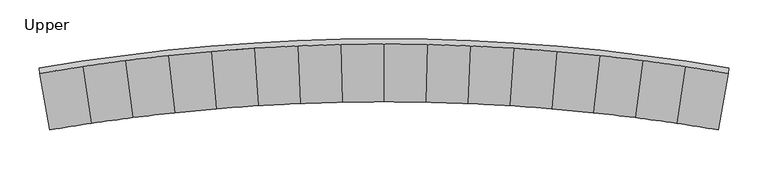
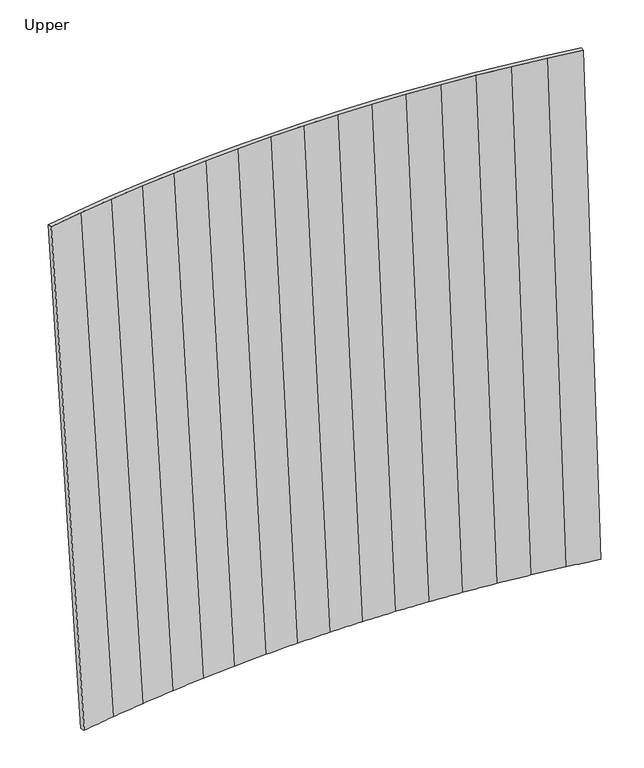
"""IFC4 building model written with IfcOpenShell, lengths in millimetres: furniture geometry, Upper."""

import ifcopenshell
import ifcopenshell.guid

model = None  # the IFC model being written
_history = None  # IfcOwnerHistory: only IFC2X3 demands one
_inside = {}  # id of a spatial element -> (the spatial element, [elements in it])
_under = {}  # id of a project, library or spatial element -> (it, [spatial elements below it])
_declared = {}  # id of a project -> (the project, [libraries it declares])
_typed = {}  # id of a type object -> (the type object, [elements of that type])
_made_of = {}  # id of a material, layer set ... -> (it, [elements and type objects made of it])


def new_model(schema):
    """Start an empty IFC model of exactly this schema.

    Asked for "IFC4X3", IfcOpenShell would pick the latest addendum, in which some entities
    have other attributes; the version numbers below select the first issue.
    IFC2X3 requires an IfcOwnerHistory on every rooted entity: one is made here for all.
    """
    global model, _history
    if schema == "IFC4X3":
        model = ifcopenshell.file(schema_version=(4, 3, 0, 0))
    else:
        model = ifcopenshell.file(schema=schema)
    _inside.clear()
    _under.clear()
    _declared.clear()
    _typed.clear()
    _made_of.clear()
    _history = None
    if model.schema == "IFC2X3":
        org = make("IfcOrganization", Name="unknown")
        user = make(
            "IfcPersonAndOrganization",
            ThePerson=make("IfcPerson", FamilyName="unknown"),
            TheOrganization=org,
        )
        app = make(
            "IfcApplication",
            ApplicationDeveloper=org,
            Version="unknown",
            ApplicationFullName="unknown",
            ApplicationIdentifier="unknown",
        )
        _history = make(
            "IfcOwnerHistory",
            OwningUser=user,
            OwningApplication=app,
            ChangeAction="ADDED",
            CreationDate=0,
        )
    return model


def make(cls, **values):
    """One entity of the class cls with the attributes given. An attribute that is None is left unset."""
    return model.create_entity(
        cls, **{name: value for name, value in values.items() if value is not None}
    )


def rooted(cls, **values):
    """An entity with a GlobalId (a new one), such as an element, a storey or a relation."""
    return make(cls, GlobalId=ifcopenshell.guid.new(), OwnerHistory=_history, **values)


def si_unit(unit_type, name, prefix=None):
    """IfcSIUnit, for example si_unit("LENGTHUNIT", "METRE", prefix="MILLI")."""
    return make("IfcSIUnit", UnitType=unit_type, Prefix=prefix, Name=name)


def assignment(units):
    """IfcUnitAssignment: the units of a project."""
    return None if units is None else make("IfcUnitAssignment", Units=units)


def point(xyz):
    """IfcCartesianPoint."""
    return None if xyz is None else make("IfcCartesianPoint", Coordinates=xyz)


def direction(xyz):
    """IfcDirection."""
    return None if xyz is None else make("IfcDirection", DirectionRatios=xyz)


def frame(location, z_axis=None, x_axis=None):
    """IfcAxis2Placement3D, a coordinate frame: its origin and axes. An axis left out is left unset."""
    return make(
        "IfcAxis2Placement3D",
        Location=point(location),
        Axis=direction(z_axis),
        RefDirection=direction(x_axis),
    )


def origin():
    """The frame at (0, 0, 0) with its axes left unset."""
    return frame((0.0, 0.0, 0.0))


def place(relative_to, where):
    """IfcLocalPlacement: puts the frame where relative to a parent placement (None: the world)."""
    return make(
        "IfcLocalPlacement", PlacementRelTo=relative_to, RelativePlacement=where
    )


def context(
    kind, dimensions, precision=None, world=None, true_north=None, identifier=None
):
    """IfcGeometricRepresentationContext, for example the 3D "Model" context."""
    return make(
        "IfcGeometricRepresentationContext",
        ContextIdentifier=identifier,
        ContextType=kind,
        CoordinateSpaceDimension=dimensions,
        Precision=precision,
        WorldCoordinateSystem=world,
        TrueNorth=true_north,
    )


def project(units=None, contexts=None):
    """IfcProject with its units and contexts."""
    return rooted(
        "IfcProject",
        Name="project",
        RepresentationContexts=contexts,
        UnitsInContext=assignment(units),
    )


def spatial(cls, under=None, at=None, **own):
    """A site, building, storey or space (cls), placed at a placement, below another one or the project."""
    s = rooted(cls, ObjectPlacement=at, **own)
    if under is not None:
        _under.setdefault(under.id(), (under, []))[1].append(s)
    return s


def shape(context_of_items, identifier, shape_type, items):
    """IfcShapeRepresentation: the items that make up one representation, for example the "Body"."""
    return make(
        "IfcShapeRepresentation",
        ContextOfItems=context_of_items,
        RepresentationIdentifier=identifier,
        RepresentationType=shape_type,
        Items=items,
    )


def source(mapping_origin, context_of_items, identifier, shape_type, items):
    """IfcRepresentationMap: a shape defined once, which mapped items show again and again."""
    return make(
        "IfcRepresentationMap",
        MappingOrigin=mapping_origin,
        MappedRepresentation=shape(context_of_items, identifier, shape_type, items),
    )


def transform(
    local_origin,
    x_axis=None,
    y_axis=None,
    z_axis=None,
    scale=None,
    scale2=None,
    scale3=None,
    uniform=True,
):
    """IfcCartesianTransformationOperator3D, or its non-uniform kind. x_axis, y_axis, z_axis: its Axis1, 2, 3."""
    if uniform:
        return make(
            "IfcCartesianTransformationOperator3D",
            Axis1=direction(x_axis),
            Axis2=direction(y_axis),
            LocalOrigin=point(local_origin),
            Scale=scale,
            Axis3=direction(z_axis),
        )
    return make(
        "IfcCartesianTransformationOperator3DnonUniform",
        Axis1=direction(x_axis),
        Axis2=direction(y_axis),
        LocalOrigin=point(local_origin),
        Scale=scale,
        Axis3=direction(z_axis),
        Scale2=scale2,
        Scale3=scale3,
    )


def mapped(mapping_source, mapping_target):
    """IfcMappedItem: shows the shape of a source again, moved by a transform."""
    return make(
        "IfcMappedItem", MappingSource=mapping_source, MappingTarget=mapping_target
    )


def made_of(thing, what):
    """Note that an element or type object is made of a material, layer set ...; save() writes the relation."""
    if what is not None:
        _made_of.setdefault(what.id(), (what, []))[1].append(thing)
    return thing


def element(
    cls,
    number,
    at=None,
    inside=None,
    cuts=None,
    type_object=None,
    material=None,
    context=None,
    identifier="Body",
    shape_type=None,
    held_by="IfcProductDefinitionShape",
    body=None,
    shapes=None,
    **own,
):
    """One element of the class cls, such as IfcWall. Its Tag is "e" and its number.

    at: its placement. inside: the storey or other place that contains it. cuts: it is an
    opening in that element (IfcRelVoidsElement). A single representation is given by context,
    identifier, shape_type and body (its items); several are given by shapes. held_by: the class
    of the entity that holds the representations. save() writes the other relations.
    """
    e = rooted(cls, Tag="e%d" % number, ObjectPlacement=at, **own)
    if body is not None:
        shapes = [shape(context, identifier, shape_type, body)]
    if shapes is not None:
        e.Representation = make(held_by, Representations=shapes)
    if inside is not None:
        _inside.setdefault(inside.id(), (inside, []))[1].append(e)
    if cuts is not None:
        rooted(
            "IfcRelVoidsElement", RelatingBuildingElement=cuts, RelatedOpeningElement=e
        )
    if type_object is not None:
        _typed.setdefault(type_object.id(), (type_object, []))[1].append(e)
    return made_of(e, material)


def aggregate(whole, parts):
    """IfcRelAggregates: a whole, such as a stair, and the parts it consists of."""
    return rooted("IfcRelAggregates", RelatingObject=whole, RelatedObjects=parts)


def save(model, path):
    """Write the relations noted so far, then the file.

    IfcRelAggregates (storeys below a building ...), IfcRelContainedInSpatialStructure (elements
    in a storey), IfcRelDefinesByType, IfcRelAssociatesMaterial and IfcRelDeclares: one each for
    every whole, place, type object, material and project.
    """
    for whole, parts in _under.values():
        aggregate(whole, parts)
    for where, things in _inside.values():
        rooted(
            "IfcRelContainedInSpatialStructure",
            RelatedElements=things,
            RelatingStructure=where,
        )
    for kind, things in _typed.values():
        rooted("IfcRelDefinesByType", RelatedObjects=things, RelatingType=kind)
    for what, things in _made_of.values():
        rooted("IfcRelAssociatesMaterial", RelatedObjects=things, RelatingMaterial=what)
    for by, libraries in _declared.values():
        rooted("IfcRelDeclares", RelatingContext=by, RelatedDefinitions=libraries)
    model.write(path)


def plane_surface(at):
    """IfcPlane: the flat surface through the origin of the frame at, square to its z axis."""
    return make("IfcPlane", Position=at)


def spline_surface(u_degree, v_degree, points, u_multiplicities, v_multiplicities, u_knots, v_knots, weights=None):
    """IfcBSplineSurfaceWithKnots; with weights, IfcRationalBSplineSurfaceWithKnots. points: one row for each step in u."""
    own = dict(
        UDegree=u_degree,
        VDegree=v_degree,
        ControlPointsList=[[point(p) for p in row] for row in points],
        SurfaceForm="UNSPECIFIED",
        UClosed=False,
        VClosed=False,
        SelfIntersect=False,
        UMultiplicities=u_multiplicities,
        VMultiplicities=v_multiplicities,
        UKnots=u_knots,
        VKnots=v_knots,
        KnotSpec="UNSPECIFIED",
    )
    if weights is None:
        return make("IfcBSplineSurfaceWithKnots", **own)
    return make("IfcRationalBSplineSurfaceWithKnots", WeightsData=weights, **own)


def advanced_brep(points, edges, surfaces, faces):
    """IfcAdvancedBrep: a solid bounded by faces that lie on surfaces and meet in shared edges.

    An edge is (start, end): straight between two places in points (the first is 0);
    or (start, end, curve); or (start, end, curve, False) where it runs against its curve.
    A face is (place in surfaces, loops), or (place, loops, False) where it looks against
    its surface's normal. A loop lists edges by number (the first is 1), with a minus sign
    where the edge is run from its end to its start. The first loop is the outer one.
    """
    corners = [point(p) for p in points]
    vertices = [make("IfcVertexPoint", VertexGeometry=c) for c in corners]
    made = []
    for start, end, *more in edges:
        made.append(
            make(
                "IfcEdgeCurve",
                EdgeStart=vertices[start],
                EdgeEnd=vertices[end],
                EdgeGeometry=more[0] if more else make("IfcPolyline", Points=[corners[start], corners[end]]),
                SameSense=more[1] if len(more) > 1 else True,
            )
        )
    hull = []
    for where, loops, *sense in faces:
        bounds = []
        for j, loop in enumerate(loops):
            ring = [make("IfcOrientedEdge", EdgeElement=made[abs(k) - 1], Orientation=k > 0) for k in loop]
            bounds.append(
                make(
                    "IfcFaceOuterBound" if j == 0 else "IfcFaceBound",
                    Bound=make("IfcEdgeLoop", EdgeList=ring),
                    Orientation=True,
                )
            )
        hull.append(make("IfcAdvancedFace", Bounds=bounds, FaceSurface=surfaces[where], SameSense=sense[0] if sense else True))
    return make("IfcAdvancedBrep", Outer=make("IfcClosedShell", CfsFaces=hull))


def upper_cea90c4b(model_context):
    return source(origin(), model_context, "Body", "AdvancedBrep", [
        advanced_brep(
        [(-6.1433353, 107.7637347, 1754.9368), (48.5587139, 116.539707, 1754.9368), (103.434584, 124.1535592, 1754.9368), (158.4595865, 130.6018483, 1754.9368), (213.6089819, 135.8816859, 1754.9368), (268.8579533, 139.990683, 1754.9368), (324.1816295, 142.9270135, 1754.9368), (379.5551391, 144.6893333, 1754.9368), (434.9535745, 145.276861, 1754.9368), (490.3520099, 144.6893333, 1754.9368), (545.7255195, 142.9270045, 1754.9368), (601.0492138, 139.990683, 1754.9368), (656.298167, 135.8816769, 1754.9368), (711.4475624, 130.6018393, 1754.9368), (766.4726194, 124.1535501, 1754.9368), (821.348485, 116.539698, 1754.9368), (876.0505239, 107.7637166, 1754.9368), (877.1914427, 114.4226942, 1754.9368), (822.3478426, 123.2213668, 1754.9368), (767.3300526, 130.8549125, 1754.9368), (712.1627077, 137.3198794, 1754.9368), (656.8707338, 142.6133699, 1754.9368), (601.4788387, 146.733004, 1754.9368), (546.0120572, 149.6769195, 1754.9368), (490.4953151, 151.4437993, 1754.9368), (434.9536108, 152.0328531, 1754.9368), (379.4118702, 151.4437993, 1754.9368), (323.8951281, 149.6769195, 1754.9368), (268.4283647, 146.733004, 1754.9368), (213.0364878, 142.6133699, 1754.9368), (157.7444594, 137.3198794, 1754.9368), (102.5771327, 130.8549125, 1754.9368), (47.5593245, 123.2213759, 1754.9368), (-7.2842114, 114.4226942, 1754.9368), (6.6588368, 35.1527008, 911.6068079), (5.4857552, 41.8061555, 911.6068079), (58.7462779, 50.3443426, 911.6068079), (112.1757837, 57.75188, 911.6068079), (165.7502752, 64.0254343, 911.6068079), (219.4456896, 69.1621892, 911.6068079), (273.2379185, 73.1598376, 911.6068079), (327.1027811, 76.0165855, 911.6068079), (381.0160601, 77.7311475, 911.6068079), (434.9536108, 78.3027514, 911.6068079), (488.8911252, 77.7311475, 911.6068079), (542.8044405, 76.01659, 911.6068079), (596.6692849, 73.1598422, 911.6068079), (650.461532, 69.1621938, 911.6068079), (704.1569464, 64.0254388, 911.6068079), (757.7314379, 57.7518846, 911.6068079), (811.1609528, 50.3443516, 911.6068079), (864.4214759, 41.8061584, 911.6068079), (863.2483984, 35.1527053, 911.6068079), (810.1332539, 43.6669113, 911.6068079), (756.8496603, 51.0536379, 911.6068079), (703.4215261, 57.3095651, 911.6068079), (649.8727598, 62.4318905, 911.6068079), (596.2274878, 66.4183069, 911.6068079), (542.5097637, 69.2670247, 911.6068079), (488.7437868, 70.9767723, 911.6068079), (434.9536108, 71.5467684, 911.6068079), (381.1634348, 70.9767678, 911.6068079), (327.3974579, 69.2670247, 911.6068079), (273.6797338, 66.4183024, 911.6068079), (220.03448, 62.431886, 911.6068079), (166.4857318, 57.3095606, 911.6068079), (113.0575522, 51.0536334, 911.6068079), (59.773945, 43.6669068, 911.6068079)],
        [
            (0, 1),
            (1, 2),
            (2, 3),
            (3, 4),
            (4, 5),
            (5, 6),
            (6, 7),
            (7, 8),
            (8, 9),
            (9, 10),
            (10, 11),
            (11, 12),
            (12, 13),
            (13, 14),
            (14, 15),
            (15, 16),
            (16, 17),
            (17, 18),
            (18, 19),
            (19, 20),
            (20, 21),
            (21, 22),
            (22, 23),
            (23, 24),
            (24, 25),
            (25, 26),
            (26, 27),
            (27, 28),
            (28, 29),
            (29, 30),
            (30, 31),
            (31, 32),
            (32, 33),
            (33, 0),
            (34, 35),
            (35, 36),
            (36, 37),
            (37, 38),
            (38, 39),
            (39, 40),
            (40, 41),
            (41, 42),
            (42, 43),
            (43, 44),
            (44, 45),
            (45, 46),
            (46, 47),
            (47, 48),
            (48, 49),
            (49, 50),
            (50, 51),
            (51, 52),
            (52, 53),
            (53, 54),
            (54, 55),
            (55, 56),
            (56, 57),
            (57, 58),
            (58, 59),
            (59, 60),
            (60, 61),
            (61, 62),
            (62, 63),
            (63, 64),
            (64, 65),
            (65, 66),
            (66, 67),
            (67, 34),
            (67, 1),
            (0, 34),
            (66, 2),
            (65, 3),
            (64, 4),
            (63, 5),
            (62, 6),
            (61, 7),
            (60, 8),
            (59, 9),
            (58, 10),
            (57, 11),
            (56, 12),
            (55, 13),
            (54, 14),
            (53, 15),
            (52, 16),
            (51, 17),
            (50, 18),
            (49, 19),
            (48, 20),
            (47, 21),
            (46, 22),
            (45, 23),
            (44, 24),
            (43, 25),
            (42, 26),
            (41, 27),
            (40, 28),
            (39, 29),
            (38, 30),
            (37, 31),
            (36, 32),
            (35, 33),
        ],
        [
            plane_surface(frame((434.9535907, 134.5581377, 1754.9368), z_axis=(0.0, 0.0, 1.0), x_axis=(0.16886894724519871, -0.9856385131762548, 0.0))),
            plane_surface(frame((434.9536108, 61.2470087, 911.6068079), z_axis=(0.0, 0.0, -1.0), x_axis=(0.16886894724519871, -0.9856385131762548, 0.0))),
            spline_surface(1, 1, [[(6.6588368, 35.1527008, 911.6068079), (-6.1433353, 107.7637347, 1754.9368)], [(59.773945, 43.6669068, 911.6068079), (48.5587139, 116.539707, 1754.9368)]], [2, 2], [2, 2], [0.0, 1.0], [0.0, 1.0]),
            spline_surface(1, 1, [[(59.773945, 43.6669068, 911.6068079), (48.5587139, 116.539707, 1754.9368)], [(113.0575522, 51.0536334, 911.6068079), (103.434584, 124.1535592, 1754.9368)]], [2, 2], [2, 2], [0.0, 1.0], [0.0, 1.0]),
            spline_surface(1, 1, [[(113.0575522, 51.0536334, 911.6068079), (103.434584, 124.1535592, 1754.9368)], [(166.4857318, 57.3095606, 911.6068079), (158.4595865, 130.6018483, 1754.9368)]], [2, 2], [2, 2], [0.0, 1.0], [0.0, 1.0]),
            spline_surface(1, 1, [[(166.4857318, 57.3095606, 911.6068079), (158.4595865, 130.6018483, 1754.9368)], [(220.03448, 62.431886, 911.6068079), (213.6089819, 135.8816859, 1754.9368)]], [2, 2], [2, 2], [0.0, 1.0], [0.0, 1.0]),
            spline_surface(1, 1, [[(220.03448, 62.431886, 911.6068079), (213.6089819, 135.8816859, 1754.9368)], [(273.6797338, 66.4183024, 911.6068079), (268.8579533, 139.990683, 1754.9368)]], [2, 2], [2, 2], [0.0, 1.0], [0.0, 1.0]),
            spline_surface(1, 1, [[(273.6797338, 66.4183024, 911.6068079), (268.8579533, 139.990683, 1754.9368)], [(327.3974579, 69.2670247, 911.6068079), (324.1816295, 142.9270135, 1754.9368)]], [2, 2], [2, 2], [0.0, 1.0], [0.0, 1.0]),
            spline_surface(1, 1, [[(327.3974579, 69.2670247, 911.6068079), (324.1816295, 142.9270135, 1754.9368)], [(381.1634348, 70.9767678, 911.6068079), (379.5551391, 144.6893333, 1754.9368)]], [2, 2], [2, 2], [0.0, 1.0], [0.0, 1.0]),
            spline_surface(1, 1, [[(381.1634348, 70.9767678, 911.6068079), (379.5551391, 144.6893333, 1754.9368)], [(434.9536108, 71.5467684, 911.6068079), (434.9535745, 145.276861, 1754.9368)]], [2, 2], [2, 2], [0.0, 1.0], [0.0, 1.0]),
            spline_surface(1, 1, [[(434.9536108, 71.5467684, 911.6068079), (434.9535745, 145.276861, 1754.9368)], [(488.7437868, 70.9767723, 911.6068079), (490.3520099, 144.6893333, 1754.9368)]], [2, 2], [2, 2], [0.0, 1.0], [0.0, 1.0]),
            spline_surface(1, 1, [[(488.7437868, 70.9767723, 911.6068079), (490.3520099, 144.6893333, 1754.9368)], [(542.5097637, 69.2670247, 911.6068079), (545.7255195, 142.9270045, 1754.9368)]], [2, 2], [2, 2], [0.0, 1.0], [0.0, 1.0]),
            spline_surface(1, 1, [[(542.5097637, 69.2670247, 911.6068079), (545.7255195, 142.9270045, 1754.9368)], [(596.2274878, 66.4183069, 911.6068079), (601.0492138, 139.990683, 1754.9368)]], [2, 2], [2, 2], [0.0, 1.0], [0.0, 1.0]),
            spline_surface(1, 1, [[(596.2274878, 66.4183069, 911.6068079), (601.0492138, 139.990683, 1754.9368)], [(649.8727598, 62.4318905, 911.6068079), (656.298167, 135.8816769, 1754.9368)]], [2, 2], [2, 2], [0.0, 1.0], [0.0, 1.0]),
            spline_surface(1, 1, [[(649.8727598, 62.4318905, 911.6068079), (656.298167, 135.8816769, 1754.9368)], [(703.4215261, 57.3095651, 911.6068079), (711.4475624, 130.6018393, 1754.9368)]], [2, 2], [2, 2], [0.0, 1.0], [0.0, 1.0]),
            spline_surface(1, 1, [[(703.4215261, 57.3095651, 911.6068079), (711.4475624, 130.6018393, 1754.9368)], [(756.8496603, 51.0536379, 911.6068079), (766.4726194, 124.1535501, 1754.9368)]], [2, 2], [2, 2], [0.0, 1.0], [0.0, 1.0]),
            spline_surface(1, 1, [[(756.8496603, 51.0536379, 911.6068079), (766.4726194, 124.1535501, 1754.9368)], [(810.1332539, 43.6669113, 911.6068079), (821.348485, 116.539698, 1754.9368)]], [2, 2], [2, 2], [0.0, 1.0], [0.0, 1.0]),
            spline_surface(1, 1, [[(810.1332539, 43.6669113, 911.6068079), (821.348485, 116.539698, 1754.9368)], [(863.2483984, 35.1527053, 911.6068079), (876.0505239, 107.7637166, 1754.9368)]], [2, 2], [2, 2], [0.0, 1.0], [0.0, 1.0]),
            spline_surface(1, 1, [[(863.2483984, 35.1527053, 911.6068079), (876.0505239, 107.7637166, 1754.9368)], [(864.4214759, 41.8061584, 911.6068079), (877.1914427, 114.4226942, 1754.9368)]], [2, 2], [2, 2], [0.0, 1.0], [0.0, 1.0]),
            spline_surface(1, 1, [[(864.4214759, 41.8061584, 911.6068079), (877.1914427, 114.4226942, 1754.9368)], [(811.1609528, 50.3443516, 911.6068079), (822.3478426, 123.2213668, 1754.9368)]], [2, 2], [2, 2], [0.0, 1.0], [0.0, 1.0]),
            spline_surface(1, 1, [[(811.1609528, 50.3443516, 911.6068079), (822.3478426, 123.2213668, 1754.9368)], [(757.7314379, 57.7518846, 911.6068079), (767.3300526, 130.8549125, 1754.9368)]], [2, 2], [2, 2], [0.0, 1.0], [0.0, 1.0]),
            spline_surface(1, 1, [[(757.7314379, 57.7518846, 911.6068079), (767.3300526, 130.8549125, 1754.9368)], [(704.1569464, 64.0254388, 911.6068079), (712.1627077, 137.3198794, 1754.9368)]], [2, 2], [2, 2], [0.0, 1.0], [0.0, 1.0]),
            spline_surface(1, 1, [[(704.1569464, 64.0254388, 911.6068079), (712.1627077, 137.3198794, 1754.9368)], [(650.461532, 69.1621938, 911.6068079), (656.8707338, 142.6133699, 1754.9368)]], [2, 2], [2, 2], [0.0, 1.0], [0.0, 1.0]),
            spline_surface(1, 1, [[(650.461532, 69.1621938, 911.6068079), (656.8707338, 142.6133699, 1754.9368)], [(596.6692849, 73.1598422, 911.6068079), (601.4788387, 146.733004, 1754.9368)]], [2, 2], [2, 2], [0.0, 1.0], [0.0, 1.0]),
            spline_surface(1, 1, [[(596.6692849, 73.1598422, 911.6068079), (601.4788387, 146.733004, 1754.9368)], [(542.8044405, 76.01659, 911.6068079), (546.0120572, 149.6769195, 1754.9368)]], [2, 2], [2, 2], [0.0, 1.0], [0.0, 1.0]),
            spline_surface(1, 1, [[(542.8044405, 76.01659, 911.6068079), (546.0120572, 149.6769195, 1754.9368)], [(488.8911252, 77.7311475, 911.6068079), (490.4953151, 151.4437993, 1754.9368)]], [2, 2], [2, 2], [0.0, 1.0], [0.0, 1.0]),
            spline_surface(1, 1, [[(488.8911252, 77.7311475, 911.6068079), (490.4953151, 151.4437993, 1754.9368)], [(434.9536108, 78.3027514, 911.6068079), (434.9536108, 152.0328531, 1754.9368)]], [2, 2], [2, 2], [0.0, 1.0], [0.0, 1.0]),
            spline_surface(1, 1, [[(434.9536108, 78.3027514, 911.6068079), (434.9536108, 152.0328531, 1754.9368)], [(381.0160601, 77.7311475, 911.6068079), (379.4118702, 151.4437993, 1754.9368)]], [2, 2], [2, 2], [0.0, 1.0], [0.0, 1.0]),
            spline_surface(1, 1, [[(381.0160601, 77.7311475, 911.6068079), (379.4118702, 151.4437993, 1754.9368)], [(327.1027811, 76.0165855, 911.6068079), (323.8951281, 149.6769195, 1754.9368)]], [2, 2], [2, 2], [0.0, 1.0], [0.0, 1.0]),
            spline_surface(1, 1, [[(327.1027811, 76.0165855, 911.6068079), (323.8951281, 149.6769195, 1754.9368)], [(273.2379185, 73.1598376, 911.6068079), (268.4283647, 146.733004, 1754.9368)]], [2, 2], [2, 2], [0.0, 1.0], [0.0, 1.0]),
            spline_surface(1, 1, [[(273.2379185, 73.1598376, 911.6068079), (268.4283647, 146.733004, 1754.9368)], [(219.4456896, 69.1621892, 911.6068079), (213.0364878, 142.6133699, 1754.9368)]], [2, 2], [2, 2], [0.0, 1.0], [0.0, 1.0]),
            spline_surface(1, 1, [[(219.4456896, 69.1621892, 911.6068079), (213.0364878, 142.6133699, 1754.9368)], [(165.7502752, 64.0254343, 911.6068079), (157.7444594, 137.3198794, 1754.9368)]], [2, 2], [2, 2], [0.0, 1.0], [0.0, 1.0]),
            spline_surface(1, 1, [[(165.7502752, 64.0254343, 911.6068079), (157.7444594, 137.3198794, 1754.9368)], [(112.1757837, 57.75188, 911.6068079), (102.5771327, 130.8549125, 1754.9368)]], [2, 2], [2, 2], [0.0, 1.0], [0.0, 1.0]),
            spline_surface(1, 1, [[(112.1757837, 57.75188, 911.6068079), (102.5771327, 130.8549125, 1754.9368)], [(58.7462779, 50.3443426, 911.6068079), (47.5593245, 123.2213759, 1754.9368)]], [2, 2], [2, 2], [0.0, 1.0], [0.0, 1.0]),
            spline_surface(1, 1, [[(58.7462779, 50.3443426, 911.6068079), (47.5593245, 123.2213759, 1754.9368)], [(5.4857552, 41.8061555, 911.6068079), (-7.2842114, 114.4226942, 1754.9368)]], [2, 2], [2, 2], [0.0, 1.0], [0.0, 1.0]),
            spline_surface(1, 1, [[(5.4857552, 41.8061555, 911.6068079), (-7.2842114, 114.4226942, 1754.9368)], [(6.6588368, 35.1527008, 911.6068079), (-6.1433353, 107.7637347, 1754.9368)]], [2, 2], [2, 2], [0.0, 1.0], [0.0, 1.0]),
        ],
        [
            (0, [[1, 2, 3, 4, 5, 6, 7, 8, 9, 10, 11, 12, 13, 14, 15, 16, 17, 18, 19, 20, 21, 22, 23, 24, 25, 26, 27, 28, 29, 30, 31, 32, 33, 34]]),
            (1, [[35, 36, 37, 38, 39, 40, 41, 42, 43, 44, 45, 46, 47, 48, 49, 50, 51, 52, 53, 54, 55, 56, 57, 58, 59, 60, 61, 62, 63, 64, 65, 66, 67, 68]]),
            (2, [[-68, 69, -1, 70]]),
            (3, [[-67, 71, -2, -69]]),
            (4, [[-66, 72, -3, -71]]),
            (5, [[-65, 73, -4, -72]]),
            (6, [[-64, 74, -5, -73]]),
            (7, [[-63, 75, -6, -74]]),
            (8, [[-62, 76, -7, -75]]),
            (9, [[-61, 77, -8, -76]]),
            (10, [[-60, 78, -9, -77]]),
            (11, [[-59, 79, -10, -78]]),
            (12, [[-58, 80, -11, -79]]),
            (13, [[-57, 81, -12, -80]]),
            (14, [[-56, 82, -13, -81]]),
            (15, [[-55, 83, -14, -82]]),
            (16, [[-54, 84, -15, -83]]),
            (17, [[-53, 85, -16, -84]]),
            (18, [[-52, 86, -17, -85]]),
            (19, [[-51, 87, -18, -86]]),
            (20, [[-50, 88, -19, -87]]),
            (21, [[-49, 89, -20, -88]]),
            (22, [[-48, 90, -21, -89]]),
            (23, [[-47, 91, -22, -90]]),
            (24, [[-46, 92, -23, -91]]),
            (25, [[-45, 93, -24, -92]]),
            (26, [[-44, 94, -25, -93]]),
            (27, [[-43, 95, -26, -94]]),
            (28, [[-42, 96, -27, -95]]),
            (29, [[-41, 97, -28, -96]]),
            (30, [[-40, 98, -29, -97]]),
            (31, [[-39, 99, -30, -98]]),
            (32, [[-38, 100, -31, -99]]),
            (33, [[-37, 101, -32, -100]]),
            (34, [[-36, 102, -33, -101]]),
            (35, [[-35, -70, -34, -102]]),
        ],
    ),
    ])


if __name__ == "__main__":
    model = new_model("IFC4")
    model_context = context("Model", 3, world=origin())
    ifc_project = project(units=[si_unit("LENGTHUNIT", "METRE", prefix="MILLI")], contexts=[model_context])
    site = spatial("IfcSite", under=ifc_project)
    building = spatial("IfcBuilding", under=site)
    placement = place(None, origin())
    upper_shape = upper_cea90c4b(model_context)
    element("IfcFurniture", 1, ObjectType="Upper", at=placement, inside=building, context=model_context, shape_type="MappedRepresentation", body=[
        mapped(upper_shape, transform((0.0, 0.0, 0.0), x_axis=(1.0, 0.0, 0.0), y_axis=(0.0, 1.0, 0.0), z_axis=(0.0, 0.0, 1.0))),
    ])
    save(model, "model.ifc")
